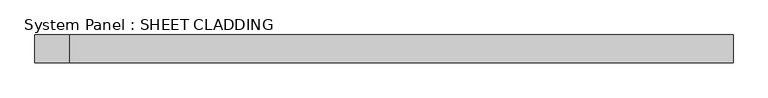
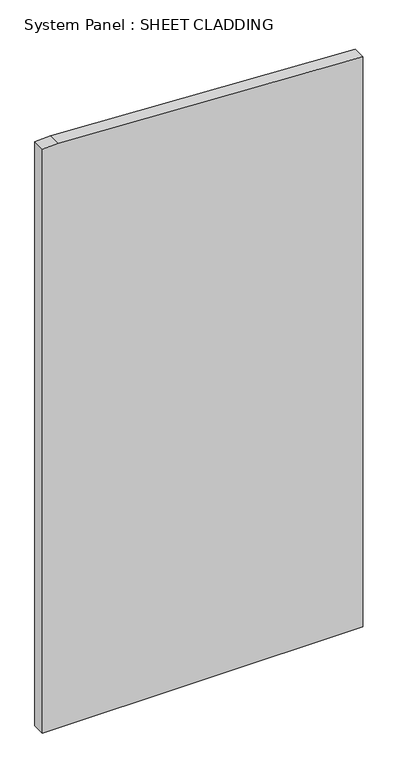
"""IFC4 building model written with IfcOpenShell, lengths in millimetres: plate geometry, System Panel : SHEET CLADDING."""

import ifcopenshell
import ifcopenshell.guid

model = None  # the IFC model being written
_history = None  # IfcOwnerHistory: only IFC2X3 demands one
_inside = {}  # id of a spatial element -> (the spatial element, [elements in it])
_under = {}  # id of a project, library or spatial element -> (it, [spatial elements below it])
_declared = {}  # id of a project -> (the project, [libraries it declares])
_typed = {}  # id of a type object -> (the type object, [elements of that type])
_made_of = {}  # id of a material, layer set ... -> (it, [elements and type objects made of it])


def new_model(schema):
    """Start an empty IFC model of exactly this schema.

    Asked for "IFC4X3", IfcOpenShell would pick the latest addendum, in which some entities
    have other attributes; the version numbers below select the first issue.
    IFC2X3 requires an IfcOwnerHistory on every rooted entity: one is made here for all.
    """
    global model, _history
    if schema == "IFC4X3":
        model = ifcopenshell.file(schema_version=(4, 3, 0, 0))
    else:
        model = ifcopenshell.file(schema=schema)
    _inside.clear()
    _under.clear()
    _declared.clear()
    _typed.clear()
    _made_of.clear()
    _history = None
    if model.schema == "IFC2X3":
        org = make("IfcOrganization", Name="unknown")
        user = make(
            "IfcPersonAndOrganization",
            ThePerson=make("IfcPerson", FamilyName="unknown"),
            TheOrganization=org,
        )
        app = make(
            "IfcApplication",
            ApplicationDeveloper=org,
            Version="unknown",
            ApplicationFullName="unknown",
            ApplicationIdentifier="unknown",
        )
        _history = make(
            "IfcOwnerHistory",
            OwningUser=user,
            OwningApplication=app,
            ChangeAction="ADDED",
            CreationDate=0,
        )
    return model


def make(cls, **values):
    """One entity of the class cls with the attributes given. An attribute that is None is left unset."""
    return model.create_entity(
        cls, **{name: value for name, value in values.items() if value is not None}
    )


def rooted(cls, **values):
    """An entity with a GlobalId (a new one), such as an element, a storey or a relation."""
    return make(cls, GlobalId=ifcopenshell.guid.new(), OwnerHistory=_history, **values)


def si_unit(unit_type, name, prefix=None):
    """IfcSIUnit, for example si_unit("LENGTHUNIT", "METRE", prefix="MILLI")."""
    return make("IfcSIUnit", UnitType=unit_type, Prefix=prefix, Name=name)


def assignment(units):
    """IfcUnitAssignment: the units of a project."""
    return None if units is None else make("IfcUnitAssignment", Units=units)


def point(xyz):
    """IfcCartesianPoint."""
    return None if xyz is None else make("IfcCartesianPoint", Coordinates=xyz)


def direction(xyz):
    """IfcDirection."""
    return None if xyz is None else make("IfcDirection", DirectionRatios=xyz)


def frame(location, z_axis=None, x_axis=None):
    """IfcAxis2Placement3D, a coordinate frame: its origin and axes. An axis left out is left unset."""
    return make(
        "IfcAxis2Placement3D",
        Location=point(location),
        Axis=direction(z_axis),
        RefDirection=direction(x_axis),
    )


def origin():
    """The frame at (0, 0, 0) with its axes left unset."""
    return frame((0.0, 0.0, 0.0))


def place(relative_to, where):
    """IfcLocalPlacement: puts the frame where relative to a parent placement (None: the world)."""
    return make(
        "IfcLocalPlacement", PlacementRelTo=relative_to, RelativePlacement=where
    )


def context(
    kind, dimensions, precision=None, world=None, true_north=None, identifier=None
):
    """IfcGeometricRepresentationContext, for example the 3D "Model" context."""
    return make(
        "IfcGeometricRepresentationContext",
        ContextIdentifier=identifier,
        ContextType=kind,
        CoordinateSpaceDimension=dimensions,
        Precision=precision,
        WorldCoordinateSystem=world,
        TrueNorth=true_north,
    )


def project(units=None, contexts=None):
    """IfcProject with its units and contexts."""
    return rooted(
        "IfcProject",
        Name="project",
        RepresentationContexts=contexts,
        UnitsInContext=assignment(units),
    )


def spatial(cls, under=None, at=None, **own):
    """A site, building, storey or space (cls), placed at a placement, below another one or the project."""
    s = rooted(cls, ObjectPlacement=at, **own)
    if under is not None:
        _under.setdefault(under.id(), (under, []))[1].append(s)
    return s


def polyline(points):
    """IfcPolyline through the points."""
    return make("IfcPolyline", Points=[point(p) for p in points])


def outline(outer, holes=None, kind="AREA"):
    """IfcArbitraryClosedProfileDef: a profile drawn as a closed curve; with holes, ...WithVoids."""
    if holes is None:
        return make("IfcArbitraryClosedProfileDef", ProfileType=kind, OuterCurve=outer)
    return make(
        "IfcArbitraryProfileDefWithVoids",
        ProfileType=kind,
        OuterCurve=outer,
        InnerCurves=holes,
    )


def extrude(swept, where, along, depth):
    """IfcExtrudedAreaSolid: the profile swept, set in the frame where, extruded along a direction by depth."""
    return make(
        "IfcExtrudedAreaSolid",
        SweptArea=swept,
        Position=where,
        ExtrudedDirection=direction(along),
        Depth=depth,
    )


def shape(context_of_items, identifier, shape_type, items):
    """IfcShapeRepresentation: the items that make up one representation, for example the "Body"."""
    return make(
        "IfcShapeRepresentation",
        ContextOfItems=context_of_items,
        RepresentationIdentifier=identifier,
        RepresentationType=shape_type,
        Items=items,
    )


def source(mapping_origin, context_of_items, identifier, shape_type, items):
    """IfcRepresentationMap: a shape defined once, which mapped items show again and again."""
    return make(
        "IfcRepresentationMap",
        MappingOrigin=mapping_origin,
        MappedRepresentation=shape(context_of_items, identifier, shape_type, items),
    )


def transform(
    local_origin,
    x_axis=None,
    y_axis=None,
    z_axis=None,
    scale=None,
    scale2=None,
    scale3=None,
    uniform=True,
):
    """IfcCartesianTransformationOperator3D, or its non-uniform kind. x_axis, y_axis, z_axis: its Axis1, 2, 3."""
    if uniform:
        return make(
            "IfcCartesianTransformationOperator3D",
            Axis1=direction(x_axis),
            Axis2=direction(y_axis),
            LocalOrigin=point(local_origin),
            Scale=scale,
            Axis3=direction(z_axis),
        )
    return make(
        "IfcCartesianTransformationOperator3DnonUniform",
        Axis1=direction(x_axis),
        Axis2=direction(y_axis),
        LocalOrigin=point(local_origin),
        Scale=scale,
        Axis3=direction(z_axis),
        Scale2=scale2,
        Scale3=scale3,
    )


def mapped(mapping_source, mapping_target):
    """IfcMappedItem: shows the shape of a source again, moved by a transform."""
    return make(
        "IfcMappedItem", MappingSource=mapping_source, MappingTarget=mapping_target
    )


def made_of(thing, what):
    """Note that an element or type object is made of a material, layer set ...; save() writes the relation."""
    if what is not None:
        _made_of.setdefault(what.id(), (what, []))[1].append(thing)
    return thing


def element(
    cls,
    number,
    at=None,
    inside=None,
    cuts=None,
    type_object=None,
    material=None,
    context=None,
    identifier="Body",
    shape_type=None,
    held_by="IfcProductDefinitionShape",
    body=None,
    shapes=None,
    **own,
):
    """One element of the class cls, such as IfcWall. Its Tag is "e" and its number.

    at: its placement. inside: the storey or other place that contains it. cuts: it is an
    opening in that element (IfcRelVoidsElement). A single representation is given by context,
    identifier, shape_type and body (its items); several are given by shapes. held_by: the class
    of the entity that holds the representations. save() writes the other relations.
    """
    e = rooted(cls, Tag="e%d" % number, ObjectPlacement=at, **own)
    if body is not None:
        shapes = [shape(context, identifier, shape_type, body)]
    if shapes is not None:
        e.Representation = make(held_by, Representations=shapes)
    if inside is not None:
        _inside.setdefault(inside.id(), (inside, []))[1].append(e)
    if cuts is not None:
        rooted(
            "IfcRelVoidsElement", RelatingBuildingElement=cuts, RelatedOpeningElement=e
        )
    if type_object is not None:
        _typed.setdefault(type_object.id(), (type_object, []))[1].append(e)
    return made_of(e, material)


def aggregate(whole, parts):
    """IfcRelAggregates: a whole, such as a stair, and the parts it consists of."""
    return rooted("IfcRelAggregates", RelatingObject=whole, RelatedObjects=parts)


def save(model, path):
    """Write the relations noted so far, then the file.

    IfcRelAggregates (storeys below a building ...), IfcRelContainedInSpatialStructure (elements
    in a storey), IfcRelDefinesByType, IfcRelAssociatesMaterial and IfcRelDeclares: one each for
    every whole, place, type object, material and project.
    """
    for whole, parts in _under.values():
        aggregate(whole, parts)
    for where, things in _inside.values():
        rooted(
            "IfcRelContainedInSpatialStructure",
            RelatedElements=things,
            RelatingStructure=where,
        )
    for kind, things in _typed.values():
        rooted("IfcRelDefinesByType", RelatedObjects=things, RelatingType=kind)
    for what, things in _made_of.values():
        rooted("IfcRelAssociatesMaterial", RelatedObjects=things, RelatingMaterial=what)
    for by, libraries in _declared.values():
        rooted("IfcRelDeclares", RelatingContext=by, RelatedDefinitions=libraries)
    model.write(path)


def system_panel_sheet_cladding_3ce75783(model_context):
    return source(origin(), model_context, "Body", "SweptSolid", [
        extrude(outline(polyline([(0.0, -750.0), (0.0, 750.0), (2822.5, 750.0), (2893.75, -675.0000003), (2890.0, -750.0), (0.0, -750.0)])), frame((0.0, -10.5, 0.0), z_axis=(0.0, 1.0, 0.0), x_axis=(0.0, 0.0, 1.0)), (0.0, 0.0, 1.0), 60.0),
    ])


if __name__ == "__main__":
    model = new_model("IFC4")
    model_context = context("Model", 3, world=origin())
    ifc_project = project(units=[si_unit("LENGTHUNIT", "METRE", prefix="MILLI")], contexts=[model_context])
    site = spatial("IfcSite", under=ifc_project)
    building = spatial("IfcBuilding", under=site)
    placement = place(None, origin())
    system_panel_sheet_cladding_shape = system_panel_sheet_cladding_3ce75783(model_context)
    element("IfcPlate", 1, ObjectType="System Panel : SHEET CLADDING", at=placement, inside=building, context=model_context, shape_type="MappedRepresentation", body=[
        mapped(system_panel_sheet_cladding_shape, transform((0.0, 0.0, 0.0), x_axis=(1.0, 0.0, 0.0), y_axis=(0.0, 1.0, 0.0), z_axis=(0.0, 0.0, 1.0))),
    ])
    save(model, "model.ifc")
